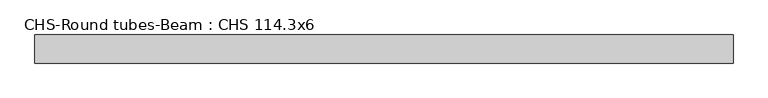
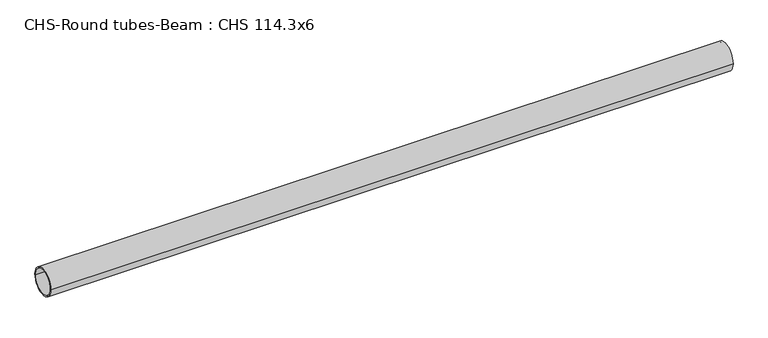
"""IFC4 building model written with IfcOpenShell, lengths in millimetres: beam geometry, CHS-Round tubes-Beam : CHS 114.3x6."""

from ifc_helpers import new_model, si_unit, point, frame, origin, origin_2d, place, context, project, spatial, circle_curve, trimmed, segment, composite_curve, outline, extrude, source, transform, mapped, element, save


def chs_round_tubes_beam_chs_114_3x6_2077695a(model_context):
    return source(origin(), model_context, "Body", "SweptSolid", [
        extrude(outline(composite_curve([segment(trimmed(circle_curve(origin_2d(), 57.15), [point((57.15, 0.0))], [point((-57.15, 0.0))], False, "CARTESIAN"), True, "CONTINUOUS"), segment(trimmed(circle_curve(origin_2d(), 57.15), [point((-57.15, 0.0))], [point((57.15, 0.0))], False, "CARTESIAN"), True, "CONTINUOUS")], self_intersect=False), holes=[composite_curve([segment(trimmed(circle_curve(origin_2d(), 51.15), [point((51.15, 0.0))], [point((-51.15, 0.0))], True, "CARTESIAN"), True, "CONTINUOUS"), segment(trimmed(circle_curve(origin_2d(), 51.15), [point((-51.15, 0.0))], [point((51.15, 0.0))], True, "CARTESIAN"), True, "CONTINUOUS")], self_intersect=False)]), frame((-1407.9225887, 0.0, 0.0), z_axis=(1.0, 0.0, 0.0), x_axis=(0.0, 1.0, 0.0)), (0.0, 0.0, 1.0), 2836.0806844),
    ])


if __name__ == "__main__":
    model = new_model("IFC4")
    model_context = context("Model", 3, world=origin())
    ifc_project = project(units=[si_unit("LENGTHUNIT", "METRE", prefix="MILLI")], contexts=[model_context])
    site = spatial("IfcSite", under=ifc_project)
    building = spatial("IfcBuilding", under=site)
    placement = place(None, origin())
    chs_round_tubes_beam_chs_114_3x6_shape = chs_round_tubes_beam_chs_114_3x6_2077695a(model_context)
    element("IfcBeam", 1, ObjectType="CHS-Round tubes-Beam : CHS 114.3x6", at=placement, inside=building, context=model_context, shape_type="MappedRepresentation", body=[
        mapped(chs_round_tubes_beam_chs_114_3x6_shape, transform((0.0, 0.0, 0.0), x_axis=(1.0, 0.0, 0.0), y_axis=(0.0, 1.0, 0.0), z_axis=(0.0, 0.0, 1.0))),
    ])
    save(model, "model.ifc")
